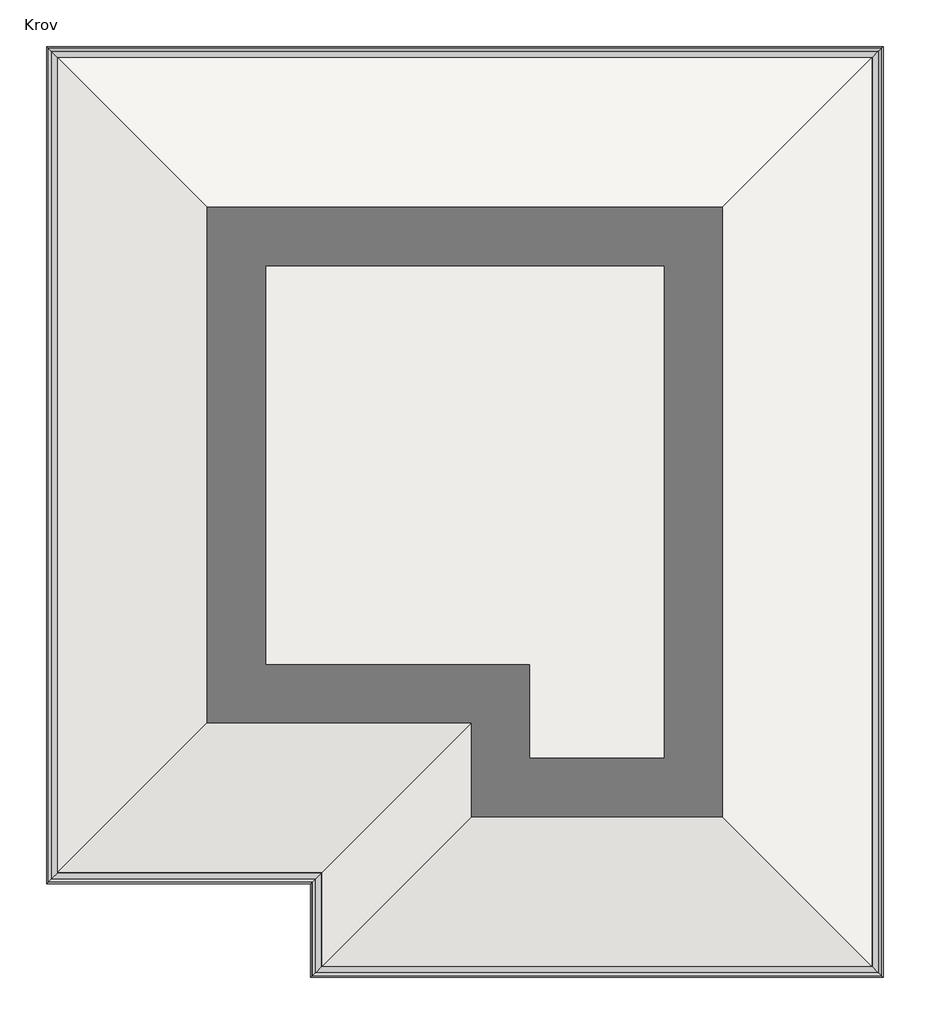
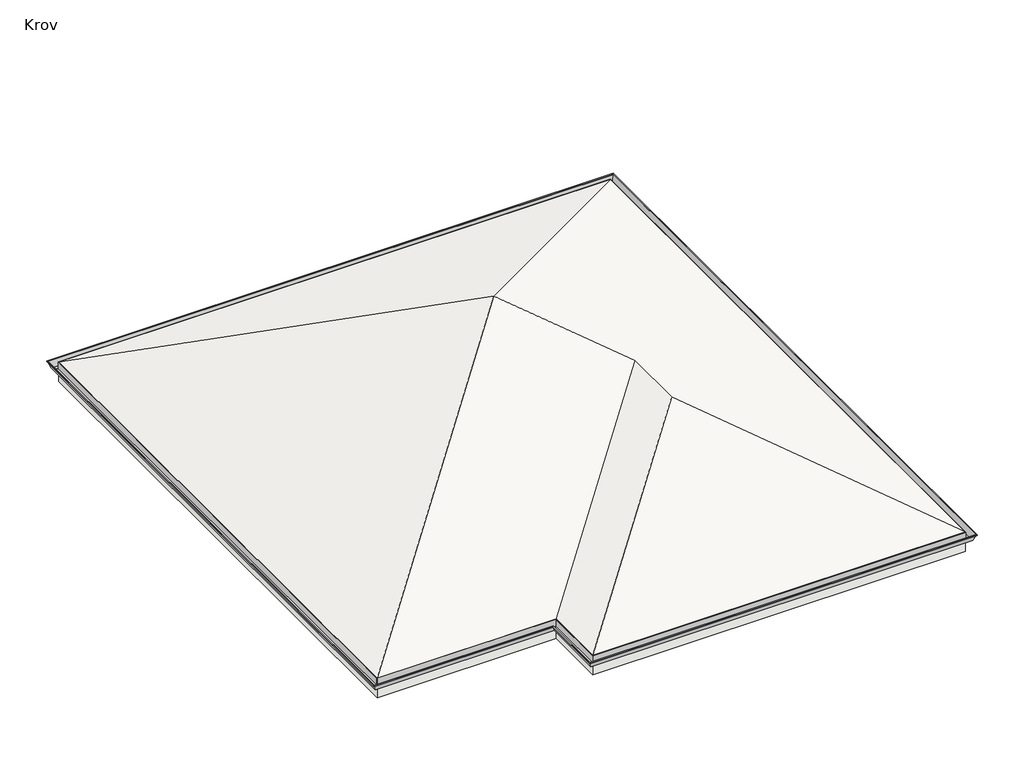
# One storey: 1 pipe segment, 1 roof, 1 slab.
"""IFC4 building model written with IfcOpenShell, lengths in millimetres."""

from ifc_helpers import new_model, si_unit, frame, origin, place, context, project, spatial, polyline, outline, extrude, faceted_brep, element, save

model = new_model("IFC4")

# Units and contexts
model_context = context("Model", 3, world=origin())
ifc_project = project(units=[si_unit("LENGTHUNIT", "METRE", prefix="MILLI")], contexts=[model_context])

# Site, building, storey
site = spatial("IfcSite", under=ifc_project)
building = spatial("IfcBuilding", under=site)
storey = spatial("IfcBuildingStorey", under=building, Name="Krov", Elevation=6080.0)

# Pipe segment
placement = place(None, origin())
element("IfcPipeSegment", 1, ObjectType="Gutter - Bevel 5\" x 5\"", at=placement, inside=storey, context=model_context, shape_type="Brep", body=[
    faceted_brep([(-2411.7036481, 1485.6018227, 6295.2384955), (-2487.9036481, 1561.8018227, 6295.2384955), (-2487.9036481, 11821.8018227, 6295.2384955), (-2411.7036481, 11898.0018227, 6295.2384955), (-2373.6036481, 1447.5018227, 6396.750728), (-2373.6036481, 11936.1018227, 6396.750728), (-2360.9036481, 1434.8018227, 6396.750728), (-2360.9036481, 11948.8018227, 6396.750728), (-2360.9036481, 1434.8018227, 6409.450728), (-2360.9036481, 11948.8018227, 6409.450728), (-2373.6036481, 1447.5018227, 6409.450728), (-2373.6036481, 11936.1018227, 6409.450728), (-2373.6036481, 1447.5018227, 6406.275728), (-2373.6036481, 11936.1018227, 6406.275728), (-2364.0786481, 1437.9768227, 6406.275728), (-2364.0786481, 11945.6268227, 6406.275728), (-2364.0786481, 1437.9768227, 6399.925728), (-2364.0786481, 11945.6268227, 6399.925728), (-2375.9659454, 1449.8641201, 6399.925728), (-2375.9659454, 11933.7395254, 6399.925728), (-2414.0659454, 1487.9641201, 6298.4134955), (-2414.0659454, 11895.6395254, 6298.4134955), (-2484.7286481, 1558.6268227, 6298.4134955), (-2484.7286481, 11824.9768227, 6298.4134955), (-2484.7286481, 1558.6268227, 6422.150728), (-2484.7286481, 11824.9768227, 6422.150728), (-2487.9036481, 1561.8018227, 6422.150728), (-2487.9036481, 11821.8018227, 6422.150728), (-11687.9036481, 11821.8018227, 6295.2384955), (-11764.1036481, 11898.0018227, 6295.2384955), (-11802.2036481, 11936.1018227, 6396.750728), (-11814.9036481, 11948.8018227, 6396.750728), (-11814.9036481, 11948.8018227, 6409.450728), (-11802.2036481, 11936.1018227, 6409.450728), (-11802.2036481, 11936.1018227, 6406.275728), (-11811.7286481, 11945.6268227, 6406.275728), (-11811.7286481, 11945.6268227, 6399.925728), (-11799.8413508, 11933.7395254, 6399.925728), (-11761.7413508, 11895.6395254, 6298.4134955), (-11691.0786481, 11824.9768227, 6298.4134955), (-11691.0786481, 11824.9768227, 6422.150728), (-11687.9036481, 11821.8018227, 6422.150728), (-11687.9036481, 2621.8018227, 6295.2384955), (-11764.1036481, 2545.6018227, 6295.2384955), (-11802.2036481, 2507.5018227, 6396.750728), (-11814.9036481, 2494.8018227, 6396.750728), (-11814.9036481, 2494.8018227, 6409.450728), (-11802.2036481, 2507.5018227, 6409.450728), (-11802.2036481, 2507.5018227, 6406.275728), (-11811.7286481, 2497.9768227, 6406.275728), (-11811.7286481, 2497.9768227, 6399.925728), (-11799.8413508, 2509.8641201, 6399.925728), (-11761.7413508, 2547.9641201, 6298.4134955), (-11691.0786481, 2618.6268227, 6298.4134955), (-11691.0786481, 2618.6268227, 6422.150728), (-11687.9036481, 2621.8018227, 6422.150728), (-8702.9036481, 2621.8018227, 6295.2384955), (-8779.1036481, 2545.6018227, 6295.2384955), (-8817.2036481, 2507.5018227, 6396.750728), (-8829.9036481, 2494.8018227, 6396.750728), (-8829.9036481, 2494.8018227, 6409.450728), (-8817.2036481, 2507.5018227, 6409.450728), (-8817.2036481, 2507.5018227, 6406.275728), (-8826.7286481, 2497.9768227, 6406.275728), (-8826.7286481, 2497.9768227, 6399.925728), (-8814.8413508, 2509.8641201, 6399.925728), (-8776.7413508, 2547.9641201, 6298.4134955), (-8706.0786481, 2618.6268227, 6298.4134955), (-8706.0786481, 2618.6268227, 6422.150728), (-8702.9036481, 2621.8018227, 6422.150728), (-8702.9036481, 1561.8018227, 6295.2384955), (-8779.1036481, 1485.6018227, 6295.2384955), (-8817.2036481, 1447.5018227, 6396.750728), (-8829.9036481, 1434.8018227, 6396.750728), (-8829.9036481, 1434.8018227, 6409.450728), (-8817.2036481, 1447.5018227, 6409.450728), (-8817.2036481, 1447.5018227, 6406.275728), (-8826.7286481, 1437.9768227, 6406.275728), (-8826.7286481, 1437.9768227, 6399.925728), (-8814.8413508, 1449.8641201, 6399.925728), (-8776.7413508, 1487.9641201, 6298.4134955), (-8706.0786481, 1558.6268227, 6298.4134955), (-8706.0786481, 1558.6268227, 6422.150728), (-8702.9036481, 1561.8018227, 6422.150728)], [[[0, 1, 2, 3]], [[4, 0, 3, 5]], [[6, 4, 5, 7]], [[8, 6, 7, 9]], [[10, 8, 9, 11]], [[12, 10, 11, 13]], [[14, 12, 13, 15]], [[16, 14, 15, 17]], [[18, 16, 17, 19]], [[20, 18, 19, 21]], [[22, 20, 21, 23]], [[24, 22, 23, 25]], [[26, 24, 25, 27]], [[1, 26, 27, 2]], [[3, 2, 28, 29]], [[5, 3, 29, 30]], [[7, 5, 30, 31]], [[9, 7, 31, 32]], [[11, 9, 32, 33]], [[13, 11, 33, 34]], [[15, 13, 34, 35]], [[17, 15, 35, 36]], [[19, 17, 36, 37]], [[21, 19, 37, 38]], [[23, 21, 38, 39]], [[25, 23, 39, 40]], [[27, 25, 40, 41]], [[2, 27, 41, 28]], [[29, 28, 42, 43]], [[30, 29, 43, 44]], [[31, 30, 44, 45]], [[32, 31, 45, 46]], [[33, 32, 46, 47]], [[34, 33, 47, 48]], [[35, 34, 48, 49]], [[36, 35, 49, 50]], [[37, 36, 50, 51]], [[38, 37, 51, 52]], [[39, 38, 52, 53]], [[40, 39, 53, 54]], [[41, 40, 54, 55]], [[28, 41, 55, 42]], [[43, 42, 56, 57]], [[44, 43, 57, 58]], [[45, 44, 58, 59]], [[46, 45, 59, 60]], [[47, 46, 60, 61]], [[48, 47, 61, 62]], [[49, 48, 62, 63]], [[50, 49, 63, 64]], [[51, 50, 64, 65]], [[52, 51, 65, 66]], [[53, 52, 66, 67]], [[54, 53, 67, 68]], [[55, 54, 68, 69]], [[42, 55, 69, 56]], [[57, 56, 70, 71]], [[58, 57, 71, 72]], [[59, 58, 72, 73]], [[60, 59, 73, 74]], [[61, 60, 74, 75]], [[62, 61, 75, 76]], [[63, 62, 76, 77]], [[64, 63, 77, 78]], [[65, 64, 78, 79]], [[66, 65, 79, 80]], [[67, 66, 80, 81]], [[68, 67, 81, 82]], [[69, 68, 82, 83]], [[56, 69, 83, 70]], [[71, 70, 1, 0]], [[72, 71, 0, 4]], [[73, 72, 4, 6]], [[74, 73, 6, 8]], [[75, 74, 8, 10]], [[76, 75, 10, 12]], [[77, 76, 12, 14]], [[78, 77, 14, 16]], [[79, 78, 16, 18]], [[80, 79, 18, 20]], [[81, 80, 20, 22]], [[82, 81, 22, 24]], [[83, 82, 24, 26]], [[70, 83, 26, 1]]]),
])

# Roof
element("IfcRoof", 2, ObjectType="Generic - 12\"", at=placement, inside=storey, context=model_context, shape_type="Brep", body=[
    faceted_brep([(-11687.9036481, 2621.8018227, 6080.0), (-7087.9036481, 7221.8018227, 8426.0), (-5595.4036481, 5729.3018227, 7664.825), (-8702.9036481, 2621.8018227, 6080.0), (-11687.9036481, 11821.8018227, 6080.0), (-8702.9036481, 1561.8018227, 6080.0), (-5595.4036481, 4669.3018227, 7664.825), (-2487.9036481, 1561.8018227, 6080.0), (-2487.9036481, 11821.8018227, 6080.0), (-11687.9036481, 2621.8018227, 6422.150728), (-8702.9036481, 2621.8018227, 6422.150728), (-5595.4036481, 5729.3018227, 8006.975728), (-7087.9036481, 7221.8018227, 8768.150728), (-11687.9036481, 11821.8018227, 6422.150728), (-8702.9036481, 1561.8018227, 6422.150728), (-5595.4036481, 4669.3018227, 8006.975728), (-2487.9036481, 1561.8018227, 6422.150728), (-2487.9036481, 11821.8018227, 6422.150728)], [[[0, 1, 2, 3]], [[4, 1, 0]], [[5, 3, 2, 6]], [[5, 6, 7]], [[1, 4, 8]], [[7, 6, 2, 1, 8]], [[9, 10, 11, 12]], [[13, 9, 12]], [[10, 14, 15, 11]], [[14, 16, 15]], [[13, 12, 17]], [[16, 17, 12, 11, 15]], [[0, 9, 13, 4]], [[3, 10, 9, 0]], [[5, 14, 10, 3]], [[7, 16, 14, 5]], [[8, 17, 16, 7]], [[4, 13, 17, 8]]]),
])

# Slab
element("IfcSlab", 3, ObjectType="pod_20", at=placement, inside=storey, context=model_context, shape_type="SweptSolid", body=[
    extrude(outline(polyline([(-2972.7697469, 11264.1931157), (-2972.7697469, 2764.1931157), (-7972.7697469, 2764.1931157), (-7972.7697469, 3784.1931157), (-10952.7697469, 3784.1931157), (-10952.7697469, 11264.1931157), (-2972.7697469, 11264.1931157)])), frame((0.0, 0.0, 5880.0), z_axis=(0.0, 0.0, 1.0), x_axis=(1.0, 0.0, 0.0)), (0.0, 0.0, 1.0), 200.0),
])

save(model, "model.ifc")
